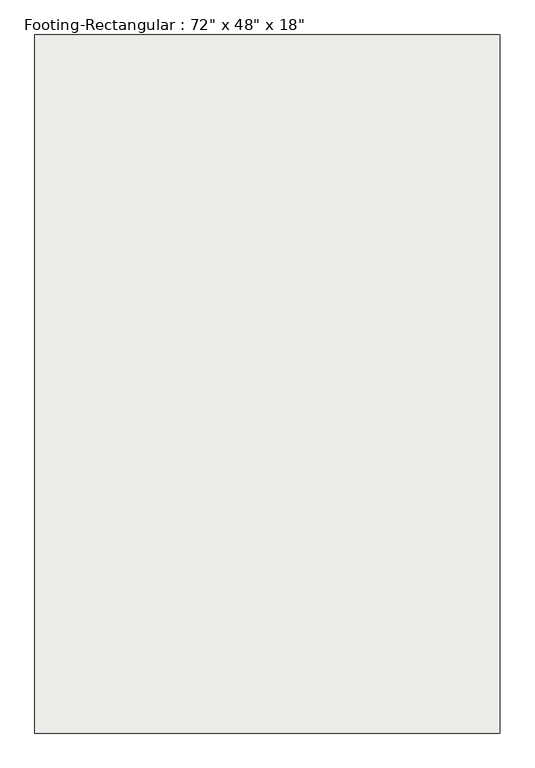
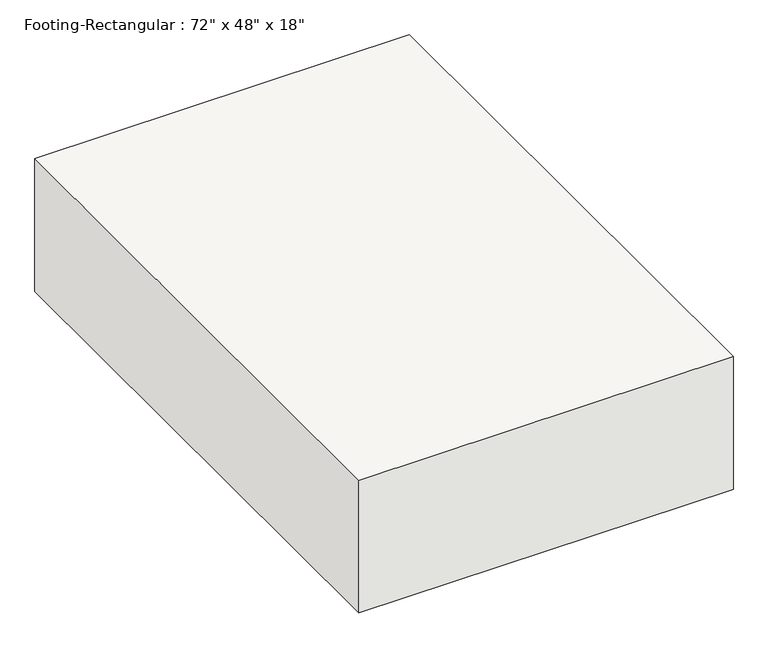
"""IFC4 building model written with IfcOpenShell, lengths in millimetres: slab geometry."""

from ifc_helpers import new_model, si_unit, frame, origin, place, context, project, spatial, polyline, outline, extrude, source, transform, mapped, element, save


def slab_5ba74754(model_context):
    return source(origin(), model_context, "Body", "SweptSolid", [
        extrude(outline(polyline([(609.6, 914.4), (609.6, -914.4), (-609.6, -914.4), (-609.6, 914.4), (609.6, 914.4)])), frame((0.0, 0.0, -457.2), z_axis=(0.0, 0.0, 1.0), x_axis=(1.0, 0.0, 0.0)), (0.0, 0.0, 1.0), 457.2),
    ])


if __name__ == "__main__":
    model = new_model("IFC4")
    model_context = context("Model", 3, world=origin())
    ifc_project = project(units=[si_unit("LENGTHUNIT", "METRE", prefix="MILLI")], contexts=[model_context])
    site = spatial("IfcSite", under=ifc_project)
    building = spatial("IfcBuilding", under=site)
    placement = place(None, origin())
    slab_shape = slab_5ba74754(model_context)
    element("IfcSlab", 1, ObjectType="Footing-Rectangular : 72\" x 48\" x 18\"", at=placement, inside=building, context=model_context, shape_type="MappedRepresentation", body=[
        mapped(slab_shape, transform((0.0, 0.0, 0.0), x_axis=(1.0, 0.0, 0.0), y_axis=(0.0, 1.0, 0.0), z_axis=(0.0, 0.0, 1.0))),
    ])
    save(model, "model.ifc")
